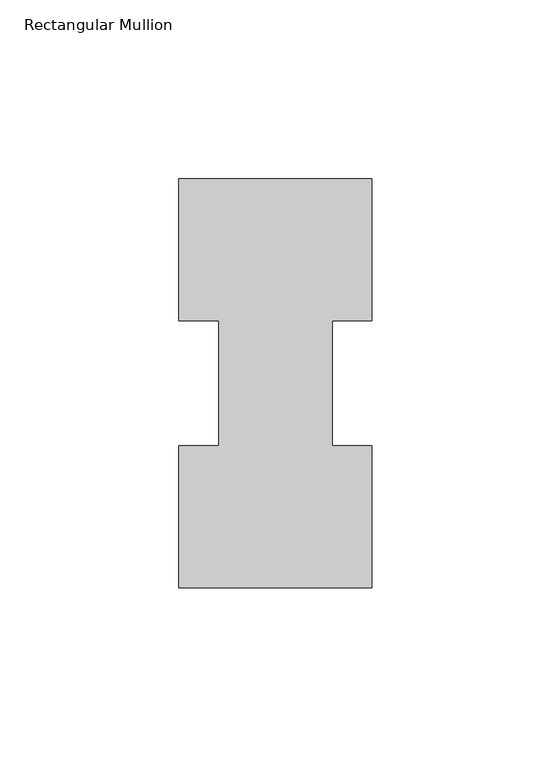
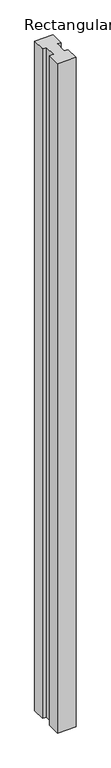
"""IFC4 building model written with IfcOpenShell, lengths in millimetres: member geometry, Rectangular Mullion."""

from ifc_helpers import new_model, si_unit, frame, origin, place, context, project, spatial, polyline, outline, extrude, source, transform, mapped, element, save


def rectangular_mullion_093c51e9(model_context):
    return source(origin(), model_context, "Body", "SweptSolid", [
        extrude(outline(polyline([(26.9875, 114.271425), (26.9875, 74.596625), (15.875, 74.596625), (15.875, 39.646225), (26.9875, 39.646225), (26.9875, -0.028575), (-26.9875, -0.028575), (-26.9875, 39.646225), (-15.8750003, 39.646225), (-15.8750003, 74.596625), (-26.9875, 74.596625), (-26.9875, 114.271425), (26.9875, 114.271425)])), frame((0.0, 0.0, -2060.575), z_axis=(0.0, 0.0, 1.0), x_axis=(1.0, 0.0, 0.0)), (0.0, 0.0, 1.0), 2060.575),
    ])


if __name__ == "__main__":
    model = new_model("IFC4")
    model_context = context("Model", 3, world=origin())
    ifc_project = project(units=[si_unit("LENGTHUNIT", "METRE", prefix="MILLI")], contexts=[model_context])
    site = spatial("IfcSite", under=ifc_project)
    building = spatial("IfcBuilding", under=site)
    placement = place(None, origin())
    rectangular_mullion_shape = rectangular_mullion_093c51e9(model_context)
    element("IfcMember", 1, ObjectType="Rectangular Mullion", at=placement, inside=building, context=model_context, shape_type="MappedRepresentation", body=[
        mapped(rectangular_mullion_shape, transform((0.0, 0.0, 0.0), x_axis=(1.0, 0.0, 0.0), y_axis=(0.0, 1.0, 0.0), z_axis=(0.0, 0.0, 1.0))),
    ])
    save(model, "model.ifc")
